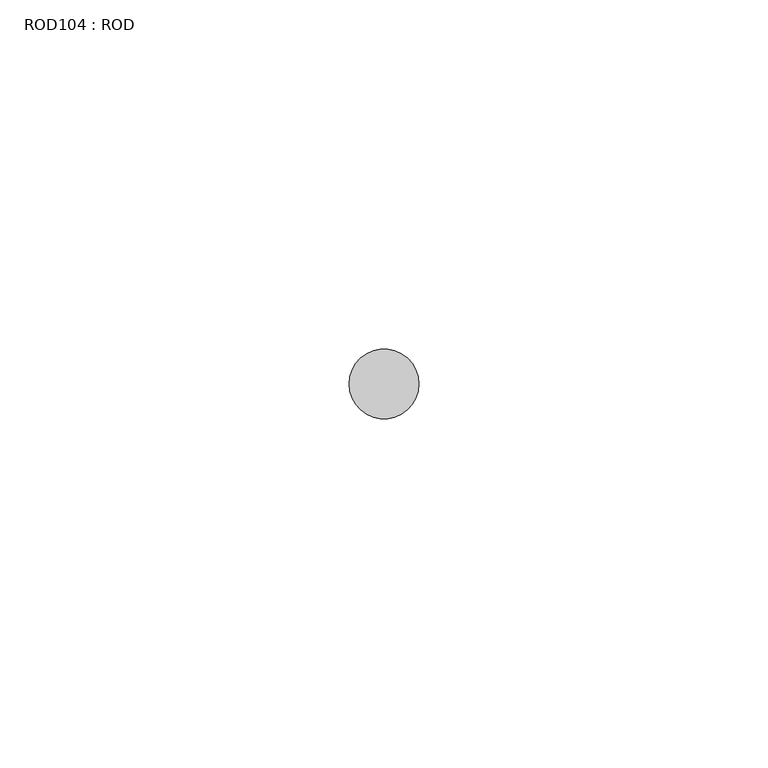
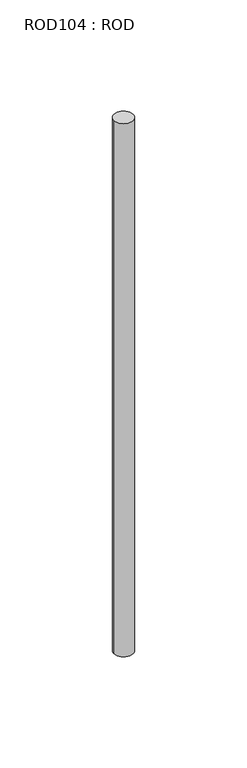
"""IFC4 building model written with IfcOpenShell, lengths in millimetres: proxy geometry, ROD104 : ROD."""

from ifc_helpers import new_model, si_unit, point, frame, frame_2d, origin, place, context, project, spatial, circle_curve, trimmed, segment, composite_curve, outline, extrude, source, transform, mapped, element, save


def rod104_rod_da7d78a0(model_context):
    return source(origin(), model_context, "Body", "SweptSolid", [
        extrude(outline(composite_curve([segment(trimmed(circle_curve(frame_2d((-547.2215616, -12414.6300853)), 5.0), [point((-552.2215616, -12414.6300853))], [point((-542.2215616, -12414.6300853))], False, "CARTESIAN"), True, "CONTINUOUS"), segment(trimmed(circle_curve(frame_2d((-547.2215616, -12414.6300853)), 5.0), [point((-542.2215616, -12414.6300853))], [point((-552.2215616, -12414.6300853))], False, "CARTESIAN"), True, "CONTINUOUS")], self_intersect=False)), frame((0.0, 0.0, -208.6608845), z_axis=(0.0, 0.0, 1.0), x_axis=(1.0, 0.0, 0.0)), (0.0, 0.0, 1.0), 298.9028972),
    ])


if __name__ == "__main__":
    model = new_model("IFC4")
    model_context = context("Model", 3, world=origin())
    ifc_project = project(units=[si_unit("LENGTHUNIT", "METRE", prefix="MILLI")], contexts=[model_context])
    site = spatial("IfcSite", under=ifc_project)
    building = spatial("IfcBuilding", under=site)
    placement = place(None, origin())
    rod104_rod_shape = rod104_rod_da7d78a0(model_context)
    element("IfcBuildingElementProxy", 1, Name="ROD104 : ROD", ObjectType="ROD104 : ROD", at=placement, inside=building, context=model_context, shape_type="MappedRepresentation", body=[
        mapped(rod104_rod_shape, transform((0.0, 0.0, 0.0), x_axis=(1.0, 0.0, 0.0), y_axis=(0.0, 1.0, 0.0), z_axis=(0.0, 0.0, 1.0))),
    ])
    save(model, "model.ifc")
